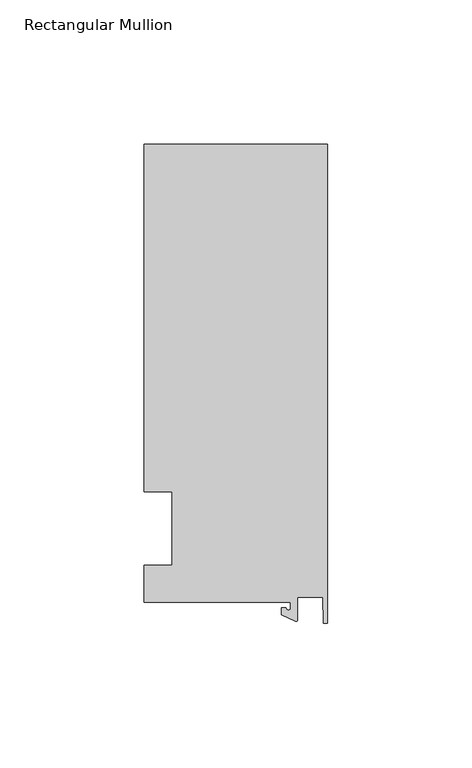
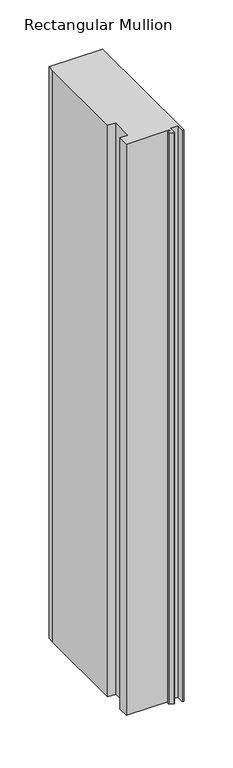
"""IFC4 building model written with IfcOpenShell, lengths in millimetres: member geometry, Rectangular Mullion."""

from ifc_helpers import new_model, si_unit, point, frame, frame_2d, origin, place, context, project, spatial, polyline, circle_curve, trimmed, segment, composite_curve, outline, extrude, source, transform, mapped, element, save


def rectangular_mullion_f79b7f8b(model_context):
    return source(origin(), model_context, "Body", "SweptSolid", [
        extrude(outline(composite_curve([segment(polyline([(-12.8216721, -25.5984375), (-63.5, -25.5984375), (-63.5, -12.7), (-53.975, -12.7), (-53.975, 12.7), (-63.5, 12.7), (-63.5, 125.075512), (-63.5, 132.822512), (0.0, 132.822512), (0.0, -32.810012), (-1.5566453, -32.810012), (-1.7144124, -23.9227662), (-10.4340721, -23.9227662), (-10.4340721, -31.6795354)]), True, "CONTINUOUS"), segment(trimmed(circle_curve(frame_2d((-10.9420721, -31.6795354)), 0.508), [point((-10.4340721, -31.6795354))], [point((-11.1567622, -32.1399398))], False, "CARTESIAN"), True, "CONTINUOUS"), segment(polyline([(-11.1567622, -32.1399398), (-15.9966721, -29.8830527), (-15.9966721, -27.5208534), (-14.4091721, -27.5208534)]), True, "CONTINUOUS"), segment(trimmed(circle_curve(frame_2d((-13.6154221, -27.5208534)), 0.79375), [point((-14.4091721, -27.5208534))], [point((-12.8216721, -27.5208534))], True, "CARTESIAN"), True, "CONTINUOUS"), segment(polyline([(-12.8216721, -27.5208534), (-12.8216721, -25.5984375)]), True, "CONTINUOUS")], self_intersect=False)), frame((0.0, 0.0, -711.2), z_axis=(0.0, 0.0, 1.0), x_axis=(1.0, 0.0, 0.0)), (0.0, 0.0, 1.0), 711.2),
    ])


if __name__ == "__main__":
    model = new_model("IFC4")
    model_context = context("Model", 3, world=origin())
    ifc_project = project(units=[si_unit("LENGTHUNIT", "METRE", prefix="MILLI")], contexts=[model_context])
    site = spatial("IfcSite", under=ifc_project)
    building = spatial("IfcBuilding", under=site)
    placement = place(None, origin())
    rectangular_mullion_shape = rectangular_mullion_f79b7f8b(model_context)
    element("IfcMember", 1, ObjectType="Rectangular Mullion", at=placement, inside=building, context=model_context, shape_type="MappedRepresentation", body=[
        mapped(rectangular_mullion_shape, transform((0.0, 0.0, 0.0), x_axis=(1.0, 0.0, 0.0), y_axis=(0.0, 1.0, 0.0), z_axis=(0.0, 0.0, 1.0))),
    ])
    save(model, "model.ifc")
